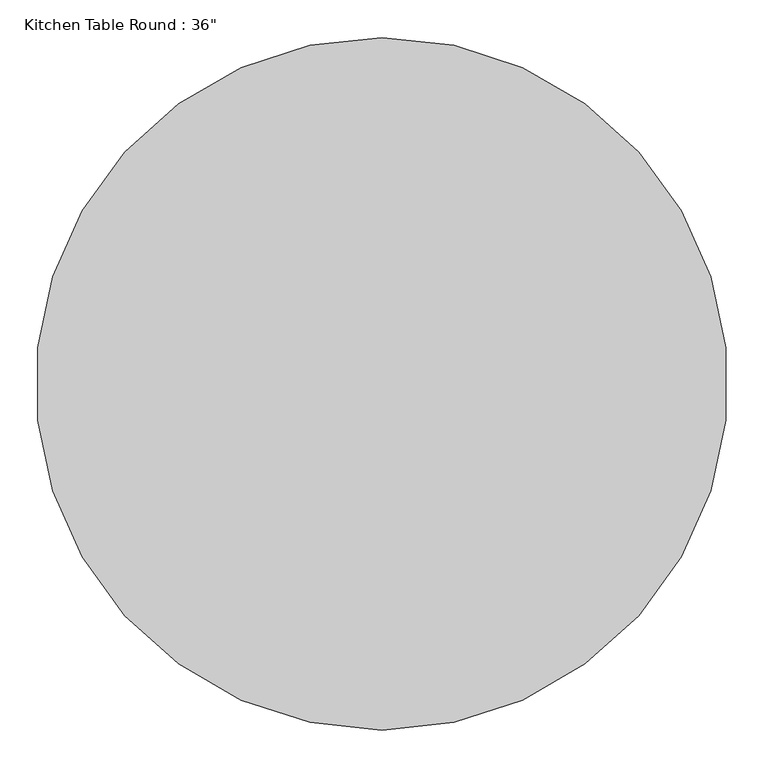
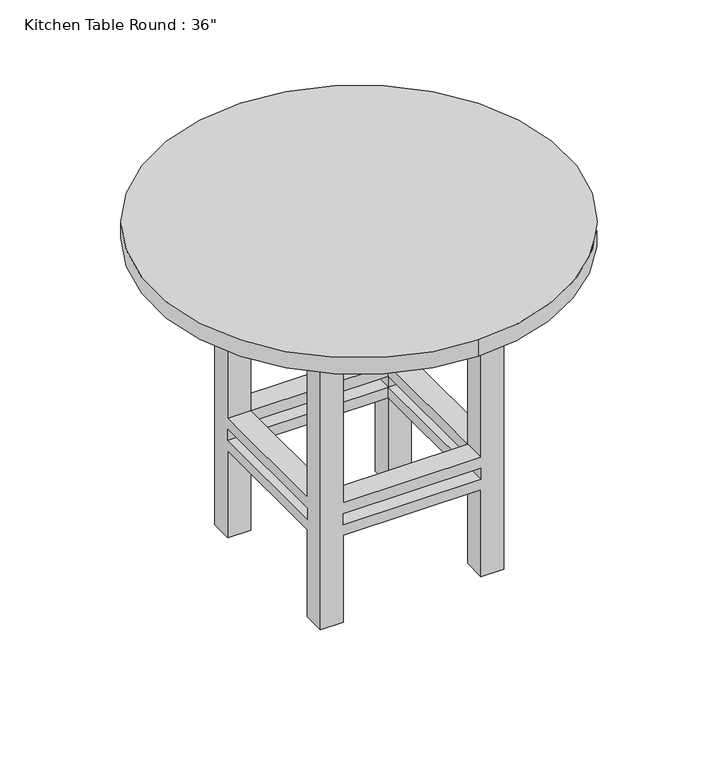
"""IFC4 building model written with IfcOpenShell, lengths in millimetres: furniture geometry."""

import ifcopenshell
import ifcopenshell.guid

model = None  # the IFC model being written
_history = None  # IfcOwnerHistory: only IFC2X3 demands one
_inside = {}  # id of a spatial element -> (the spatial element, [elements in it])
_under = {}  # id of a project, library or spatial element -> (it, [spatial elements below it])
_declared = {}  # id of a project -> (the project, [libraries it declares])
_typed = {}  # id of a type object -> (the type object, [elements of that type])
_made_of = {}  # id of a material, layer set ... -> (it, [elements and type objects made of it])


def new_model(schema):
    """Start an empty IFC model of exactly this schema.

    Asked for "IFC4X3", IfcOpenShell would pick the latest addendum, in which some entities
    have other attributes; the version numbers below select the first issue.
    IFC2X3 requires an IfcOwnerHistory on every rooted entity: one is made here for all.
    """
    global model, _history
    if schema == "IFC4X3":
        model = ifcopenshell.file(schema_version=(4, 3, 0, 0))
    else:
        model = ifcopenshell.file(schema=schema)
    _inside.clear()
    _under.clear()
    _declared.clear()
    _typed.clear()
    _made_of.clear()
    _history = None
    if model.schema == "IFC2X3":
        org = make("IfcOrganization", Name="unknown")
        user = make(
            "IfcPersonAndOrganization",
            ThePerson=make("IfcPerson", FamilyName="unknown"),
            TheOrganization=org,
        )
        app = make(
            "IfcApplication",
            ApplicationDeveloper=org,
            Version="unknown",
            ApplicationFullName="unknown",
            ApplicationIdentifier="unknown",
        )
        _history = make(
            "IfcOwnerHistory",
            OwningUser=user,
            OwningApplication=app,
            ChangeAction="ADDED",
            CreationDate=0,
        )
    return model


def make(cls, **values):
    """One entity of the class cls with the attributes given. An attribute that is None is left unset."""
    return model.create_entity(
        cls, **{name: value for name, value in values.items() if value is not None}
    )


def rooted(cls, **values):
    """An entity with a GlobalId (a new one), such as an element, a storey or a relation."""
    return make(cls, GlobalId=ifcopenshell.guid.new(), OwnerHistory=_history, **values)


def si_unit(unit_type, name, prefix=None):
    """IfcSIUnit, for example si_unit("LENGTHUNIT", "METRE", prefix="MILLI")."""
    return make("IfcSIUnit", UnitType=unit_type, Prefix=prefix, Name=name)


def assignment(units):
    """IfcUnitAssignment: the units of a project."""
    return None if units is None else make("IfcUnitAssignment", Units=units)


def point(xyz):
    """IfcCartesianPoint."""
    return None if xyz is None else make("IfcCartesianPoint", Coordinates=xyz)


def direction(xyz):
    """IfcDirection."""
    return None if xyz is None else make("IfcDirection", DirectionRatios=xyz)


def frame(location, z_axis=None, x_axis=None):
    """IfcAxis2Placement3D, a coordinate frame: its origin and axes. An axis left out is left unset."""
    return make(
        "IfcAxis2Placement3D",
        Location=point(location),
        Axis=direction(z_axis),
        RefDirection=direction(x_axis),
    )


def frame_2d(location, x_axis=None):
    """IfcAxis2Placement2D, a coordinate frame in the plane: its origin and x axis."""
    return make(
        "IfcAxis2Placement2D", Location=point(location), RefDirection=direction(x_axis)
    )


def origin():
    """The frame at (0, 0, 0) with its axes left unset."""
    return frame((0.0, 0.0, 0.0))


def place(relative_to, where):
    """IfcLocalPlacement: puts the frame where relative to a parent placement (None: the world)."""
    return make(
        "IfcLocalPlacement", PlacementRelTo=relative_to, RelativePlacement=where
    )


def context(
    kind, dimensions, precision=None, world=None, true_north=None, identifier=None
):
    """IfcGeometricRepresentationContext, for example the 3D "Model" context."""
    return make(
        "IfcGeometricRepresentationContext",
        ContextIdentifier=identifier,
        ContextType=kind,
        CoordinateSpaceDimension=dimensions,
        Precision=precision,
        WorldCoordinateSystem=world,
        TrueNorth=true_north,
    )


def project(units=None, contexts=None):
    """IfcProject with its units and contexts."""
    return rooted(
        "IfcProject",
        Name="project",
        RepresentationContexts=contexts,
        UnitsInContext=assignment(units),
    )


def spatial(cls, under=None, at=None, **own):
    """A site, building, storey or space (cls), placed at a placement, below another one or the project."""
    s = rooted(cls, ObjectPlacement=at, **own)
    if under is not None:
        _under.setdefault(under.id(), (under, []))[1].append(s)
    return s


def polyline(points):
    """IfcPolyline through the points."""
    return make("IfcPolyline", Points=[point(p) for p in points])


def circle_curve(where, radius):
    """IfcCircle in the frame where."""
    return make("IfcCircle", Position=where, Radius=radius)


def trimmed(basis, trim1, trim2, sense, master):
    """IfcTrimmedCurve: the piece of a basis curve between two trims."""
    return make(
        "IfcTrimmedCurve",
        BasisCurve=basis,
        Trim1=trim1,
        Trim2=trim2,
        SenseAgreement=sense,
        MasterRepresentation=master,
    )


def segment(curve, same_sense, transition):
    """IfcCompositeCurveSegment."""
    return make(
        "IfcCompositeCurveSegment",
        Transition=transition,
        SameSense=same_sense,
        ParentCurve=curve,
    )


def composite_curve(segments, self_intersect=None):
    """IfcCompositeCurve: segments joined end to end."""
    return make("IfcCompositeCurve", Segments=segments, SelfIntersect=self_intersect)


def outline(outer, holes=None, kind="AREA"):
    """IfcArbitraryClosedProfileDef: a profile drawn as a closed curve; with holes, ...WithVoids."""
    if holes is None:
        return make("IfcArbitraryClosedProfileDef", ProfileType=kind, OuterCurve=outer)
    return make(
        "IfcArbitraryProfileDefWithVoids",
        ProfileType=kind,
        OuterCurve=outer,
        InnerCurves=holes,
    )


def extrude(swept, where, along, depth):
    """IfcExtrudedAreaSolid: the profile swept, set in the frame where, extruded along a direction by depth."""
    return make(
        "IfcExtrudedAreaSolid",
        SweptArea=swept,
        Position=where,
        ExtrudedDirection=direction(along),
        Depth=depth,
    )


def faces_of(points, faces, orient=None, outer=None):
    """IfcFace entities. A face is a list of loops; a loop is a list of indices into points, from 0.

    orient and outer hold one flag for each loop. By default every Orientation is true, the
    first loop of a face is its IfcFaceOuterBound and the others are IfcFaceBound.
    """
    made = []
    for i, loops in enumerate(faces):
        bounds = []
        for j, loop in enumerate(loops):
            is_outer = j == 0 if outer is None else outer[i][j]
            bounds.append(
                make(
                    "IfcFaceOuterBound" if is_outer else "IfcFaceBound",
                    Bound=make("IfcPolyLoop", Polygon=[points[k] for k in loop]),
                    Orientation=True if orient is None else orient[i][j],
                )
            )
        made.append(make("IfcFace", Bounds=bounds))
    return made


def faceted_brep(points, faces, orient=None, outer=None, voids=None):
    """IfcFacetedBrep: a solid bounded by flat faces; with voids (closed shells), ...WithVoids."""
    shared = [point(p) for p in points]
    hull = make("IfcClosedShell", CfsFaces=faces_of(shared, faces, orient, outer))
    if voids is None:
        return make("IfcFacetedBrep", Outer=hull)
    return make(
        "IfcFacetedBrepWithVoids",
        Outer=hull,
        Voids=[
            make(cls, CfsFaces=faces_of(shared, fs, o, b)) for cls, fs, o, b in voids
        ],
    )


def shape(context_of_items, identifier, shape_type, items):
    """IfcShapeRepresentation: the items that make up one representation, for example the "Body"."""
    return make(
        "IfcShapeRepresentation",
        ContextOfItems=context_of_items,
        RepresentationIdentifier=identifier,
        RepresentationType=shape_type,
        Items=items,
    )


def source(mapping_origin, context_of_items, identifier, shape_type, items):
    """IfcRepresentationMap: a shape defined once, which mapped items show again and again."""
    return make(
        "IfcRepresentationMap",
        MappingOrigin=mapping_origin,
        MappedRepresentation=shape(context_of_items, identifier, shape_type, items),
    )


def transform(
    local_origin,
    x_axis=None,
    y_axis=None,
    z_axis=None,
    scale=None,
    scale2=None,
    scale3=None,
    uniform=True,
):
    """IfcCartesianTransformationOperator3D, or its non-uniform kind. x_axis, y_axis, z_axis: its Axis1, 2, 3."""
    if uniform:
        return make(
            "IfcCartesianTransformationOperator3D",
            Axis1=direction(x_axis),
            Axis2=direction(y_axis),
            LocalOrigin=point(local_origin),
            Scale=scale,
            Axis3=direction(z_axis),
        )
    return make(
        "IfcCartesianTransformationOperator3DnonUniform",
        Axis1=direction(x_axis),
        Axis2=direction(y_axis),
        LocalOrigin=point(local_origin),
        Scale=scale,
        Axis3=direction(z_axis),
        Scale2=scale2,
        Scale3=scale3,
    )


def mapped(mapping_source, mapping_target):
    """IfcMappedItem: shows the shape of a source again, moved by a transform."""
    return make(
        "IfcMappedItem", MappingSource=mapping_source, MappingTarget=mapping_target
    )


def made_of(thing, what):
    """Note that an element or type object is made of a material, layer set ...; save() writes the relation."""
    if what is not None:
        _made_of.setdefault(what.id(), (what, []))[1].append(thing)
    return thing


def element(
    cls,
    number,
    at=None,
    inside=None,
    cuts=None,
    type_object=None,
    material=None,
    context=None,
    identifier="Body",
    shape_type=None,
    held_by="IfcProductDefinitionShape",
    body=None,
    shapes=None,
    **own,
):
    """One element of the class cls, such as IfcWall. Its Tag is "e" and its number.

    at: its placement. inside: the storey or other place that contains it. cuts: it is an
    opening in that element (IfcRelVoidsElement). A single representation is given by context,
    identifier, shape_type and body (its items); several are given by shapes. held_by: the class
    of the entity that holds the representations. save() writes the other relations.
    """
    e = rooted(cls, Tag="e%d" % number, ObjectPlacement=at, **own)
    if body is not None:
        shapes = [shape(context, identifier, shape_type, body)]
    if shapes is not None:
        e.Representation = make(held_by, Representations=shapes)
    if inside is not None:
        _inside.setdefault(inside.id(), (inside, []))[1].append(e)
    if cuts is not None:
        rooted(
            "IfcRelVoidsElement", RelatingBuildingElement=cuts, RelatedOpeningElement=e
        )
    if type_object is not None:
        _typed.setdefault(type_object.id(), (type_object, []))[1].append(e)
    return made_of(e, material)


def aggregate(whole, parts):
    """IfcRelAggregates: a whole, such as a stair, and the parts it consists of."""
    return rooted("IfcRelAggregates", RelatingObject=whole, RelatedObjects=parts)


def save(model, path):
    """Write the relations noted so far, then the file.

    IfcRelAggregates (storeys below a building ...), IfcRelContainedInSpatialStructure (elements
    in a storey), IfcRelDefinesByType, IfcRelAssociatesMaterial and IfcRelDeclares: one each for
    every whole, place, type object, material and project.
    """
    for whole, parts in _under.values():
        aggregate(whole, parts)
    for where, things in _inside.values():
        rooted(
            "IfcRelContainedInSpatialStructure",
            RelatedElements=things,
            RelatingStructure=where,
        )
    for kind, things in _typed.values():
        rooted("IfcRelDefinesByType", RelatedObjects=things, RelatingType=kind)
    for what, things in _made_of.values():
        rooted("IfcRelAssociatesMaterial", RelatedObjects=things, RelatingMaterial=what)
    for by, libraries in _declared.values():
        rooted("IfcRelDeclares", RelatingContext=by, RelatedDefinitions=libraries)
    model.write(path)


def furniture_f004630c(model_context):
    return source(origin(), model_context, "Body", "SolidModel", [
        faceted_brep([(256.0819672, -32.4786885, 279.4), (256.0819672, -337.2786885, 279.4), (306.8819672, -337.2786885, 279.4), (306.8819672, -32.4786885, 279.4), (-48.7180328, -337.2786885, 279.4), (-48.7180328, -388.0786885, 279.4), (256.0819672, -388.0786885, 279.4), (-48.7180328, -32.4786885, 279.4), (-99.5180328, -32.4786885, 279.4), (-99.5180328, -337.2786885, 279.4), (256.0819672, 18.3213115, 279.4), (-48.7180328, 18.3213115, 279.4), (256.0819672, -32.4786885, 254.0), (-48.7180328, -32.4786885, 254.0), (-48.7180328, 18.3213115, 254.0), (256.0819672, 18.3213115, 254.0), (-48.7180328, -337.2786885, 254.0), (-99.5180328, -337.2786885, 254.0), (-99.5180328, -32.4786885, 254.0), (256.0819672, -337.2786885, 254.0), (256.0819672, -388.0786885, 254.0), (-48.7180328, -388.0786885, 254.0), (306.8819672, -32.4786885, 254.0), (306.8819672, -337.2786885, 254.0), (-99.5180328, 18.3213115, 647.7), (-48.7180328, 18.3213115, 647.7), (256.0819672, 18.3213115, 647.7), (306.8819672, 18.3213115, 647.7), (306.8819672, 18.3213115, 0.0), (256.0819672, 18.3213115, 0.0), (256.0819672, 18.3213115, 203.2), (-48.7180328, 18.3213115, 203.2), (-48.7180328, 18.3213115, 0.0), (-99.5180328, 18.3213115, 0.0), (-48.7180328, 18.3213115, 228.6), (256.0819672, 18.3213115, 228.6), (-99.5180328, -32.4786885, 647.7), (-99.5180328, -32.4786885, 0.0), (-99.5180328, -32.4786885, 203.2), (-99.5180328, -337.2786885, 203.2), (-99.5180328, -337.2786885, 0.0), (-99.5180328, -388.0786885, 0.0), (-99.5180328, -388.0786885, 647.7), (-99.5180328, -337.2786885, 647.7), (-99.5180328, -337.2786885, 228.6), (-99.5180328, -32.4786885, 228.6), (306.8819672, -388.0786885, 647.7), (256.0819672, -388.0786885, 647.7), (-48.7180328, -388.0786885, 647.7), (-48.7180328, -388.0786885, 0.0), (-48.7180328, -388.0786885, 203.2), (256.0819672, -388.0786885, 203.2), (256.0819672, -388.0786885, 0.0), (306.8819672, -388.0786885, 0.0), (256.0819672, -388.0786885, 228.6), (-48.7180328, -388.0786885, 228.6), (306.8819672, -32.4786885, 647.7), (306.8819672, -337.2786885, 647.7), (306.8819672, -337.2786885, 0.0), (306.8819672, -337.2786885, 203.2), (306.8819672, -32.4786885, 203.2), (306.8819672, -32.4786885, 0.0), (306.8819672, -32.4786885, 228.6), (306.8819672, -337.2786885, 228.6), (-48.7180328, -32.4786885, 647.7), (256.0819672, -32.4786885, 647.7), (256.0819672, -337.2786885, 647.7), (-48.7180328, -337.2786885, 647.7), (-48.7180328, -32.4786885, 0.0), (256.0819672, -32.4786885, 0.0), (256.0819672, -337.2786885, 0.0), (-48.7180328, -337.2786885, 0.0), (-48.7180328, -32.4786885, 203.2), (-48.7180328, -32.4786885, 228.6), (256.0819672, -32.4786885, 203.2), (256.0819672, -32.4786885, 228.6), (256.0819672, -337.2786885, 203.2), (256.0819672, -337.2786885, 228.6), (-48.7180328, -337.2786885, 203.2), (-48.7180328, -337.2786885, 228.6)], [[[0, 1, 2, 3]], [[1, 4, 5, 6]], [[4, 7, 8, 9]], [[7, 0, 10, 11]], [[12, 13, 14, 15]], [[13, 16, 17, 18]], [[16, 19, 20, 21]], [[19, 12, 22, 23]], [[24, 25, 11, 10, 26, 27, 28, 29, 30, 31, 32, 33], [14, 34, 35, 15]], [[36, 24, 33, 37, 38, 39, 40, 41, 42, 43, 9, 8], [17, 44, 45, 18]], [[46, 47, 6, 5, 48, 42, 41, 49, 50, 51, 52, 53], [20, 54, 55, 21]], [[28, 27, 56, 3, 2, 57, 46, 53, 58, 59, 60, 61], [22, 62, 63, 23]], [[1, 0, 12, 19]], [[4, 1, 19, 16]], [[7, 4, 16, 13]], [[0, 7, 13, 12]], [[25, 24, 36, 64]], [[26, 65, 56, 27]], [[47, 46, 57, 66]], [[48, 67, 43, 42]], [[32, 68, 37, 33]], [[29, 28, 61, 69]], [[52, 70, 58, 53]], [[49, 41, 40, 71]], [[64, 36, 8, 7]], [[37, 68, 72, 38]], [[13, 18, 45, 73]], [[25, 64, 7, 11]], [[68, 32, 31, 72]], [[14, 13, 73, 34]], [[65, 26, 10, 0]], [[29, 69, 74, 30]], [[12, 15, 35, 75]], [[56, 65, 0, 3]], [[69, 61, 60, 74]], [[22, 12, 75, 62]], [[66, 57, 2, 1]], [[58, 70, 76, 59]], [[19, 23, 63, 77]], [[47, 66, 1, 6]], [[70, 52, 51, 76]], [[20, 19, 77, 54]], [[67, 48, 5, 4]], [[49, 71, 78, 50]], [[16, 21, 55, 79]], [[43, 67, 4, 9]], [[71, 40, 39, 78]], [[17, 16, 79, 44]], [[75, 77, 63, 62]], [[77, 79, 55, 54]], [[79, 73, 45, 44]], [[73, 75, 35, 34]], [[74, 72, 31, 30]], [[72, 78, 39, 38]], [[78, 76, 51, 50]], [[76, 74, 60, 59]], [[77, 75, 74, 76]], [[79, 77, 76, 78]], [[73, 79, 78, 72]], [[75, 73, 72, 74]]]),
        extrude(outline(polyline([(332.2819672, 43.7213115), (332.2819672, -413.4786885), (-124.9180328, -413.4786885), (-124.9180328, 43.7213115), (332.2819672, 43.7213115)]), holes=[polyline([(306.8819672, 18.3213115), (-99.5180328, 18.3213115), (-99.5180328, -388.0786885), (306.8819672, -388.0786885), (306.8819672, 18.3213115)])]), frame((0.0, 0.0, 647.7), z_axis=(0.0, 0.0, 1.0), x_axis=(1.0, 0.0, 0.0)), (0.0, 0.0, 1.0), 76.2),
        extrude(outline(composite_curve([segment(trimmed(circle_curve(frame_2d((103.6819672, -184.8786885)), 457.2), [point((103.6819672, -642.0786885))], [point((103.6819672, 272.3213115))], False, "CARTESIAN"), True, "CONTINUOUS"), segment(trimmed(circle_curve(frame_2d((103.6819672, -184.8786885)), 457.2), [point((103.6819672, 272.3213115))], [point((103.6819672, -642.0786885))], False, "CARTESIAN"), True, "CONTINUOUS")], self_intersect=False)), frame((0.0, 0.0, 723.9), z_axis=(0.0, 0.0, 1.0), x_axis=(1.0, 0.0, 0.0)), (0.0, 0.0, 1.0), 38.1),
    ])


if __name__ == "__main__":
    model = new_model("IFC4")
    model_context = context("Model", 3, world=origin())
    ifc_project = project(units=[si_unit("LENGTHUNIT", "METRE", prefix="MILLI")], contexts=[model_context])
    site = spatial("IfcSite", under=ifc_project)
    building = spatial("IfcBuilding", under=site)
    placement = place(None, origin())
    furniture_shape = furniture_f004630c(model_context)
    element("IfcFurniture", 1, ObjectType="Kitchen Table Round : 36\"", at=placement, inside=building, context=model_context, shape_type="MappedRepresentation", body=[
        mapped(furniture_shape, transform((0.0, 0.0, 0.0), x_axis=(1.0, 0.0, 0.0), y_axis=(0.0, 1.0, 0.0), z_axis=(0.0, 0.0, 1.0))),
    ])
    save(model, "model.ifc")
